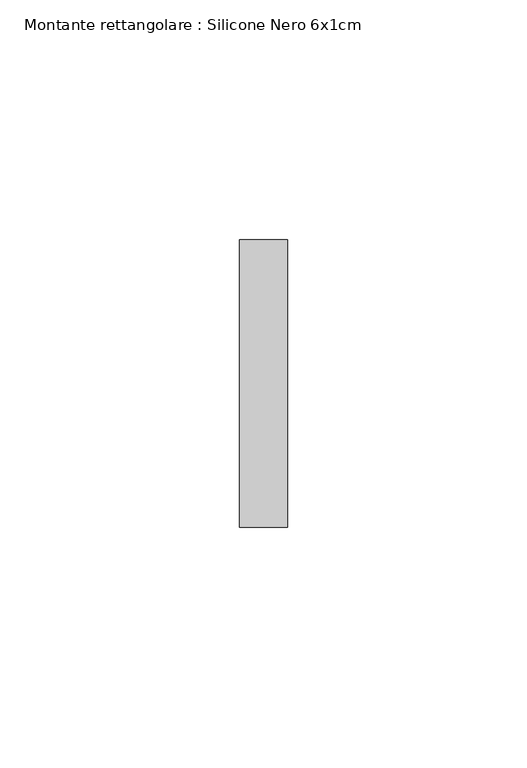
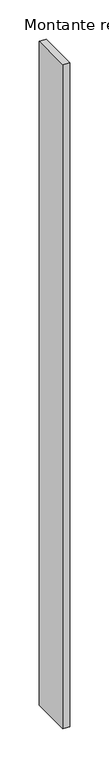
"""IFC4 building model written with IfcOpenShell, lengths in millimetres: member geometry, Montante rettangolare : Silicone Nero 6x1cm."""

from ifc_helpers import new_model, si_unit, frame, origin, place, context, project, spatial, polyline, outline, extrude, source, transform, mapped, element, save


def montante_rettangolare_silicone_nero_6x1cm_ffc109e4(model_context):
    return source(origin(), model_context, "Body", "SweptSolid", [
        extrude(outline(polyline([(5.0, 60.0), (5.0, 0.0), (-5.0, 0.0), (-5.0, 60.0), (5.0, 60.0)])), frame((0.0, 0.0, -1033.3333333), z_axis=(0.0, 0.0, 1.0), x_axis=(1.0, 0.0, 0.0)), (0.0, 0.0, 1.0), 1033.3333333),
    ])


if __name__ == "__main__":
    model = new_model("IFC4")
    model_context = context("Model", 3, world=origin())
    ifc_project = project(units=[si_unit("LENGTHUNIT", "METRE", prefix="MILLI")], contexts=[model_context])
    site = spatial("IfcSite", under=ifc_project)
    building = spatial("IfcBuilding", under=site)
    placement = place(None, origin())
    montante_rettangolare_silicone_nero_6x1cm_shape = montante_rettangolare_silicone_nero_6x1cm_ffc109e4(model_context)
    element("IfcMember", 1, ObjectType="Montante rettangolare : Silicone Nero 6x1cm", at=placement, inside=building, context=model_context, shape_type="MappedRepresentation", body=[
        mapped(montante_rettangolare_silicone_nero_6x1cm_shape, transform((0.0, 0.0, 0.0), x_axis=(1.0, 0.0, 0.0), y_axis=(0.0, 1.0, 0.0), z_axis=(0.0, 0.0, 1.0))),
    ])
    save(model, "model.ifc")
